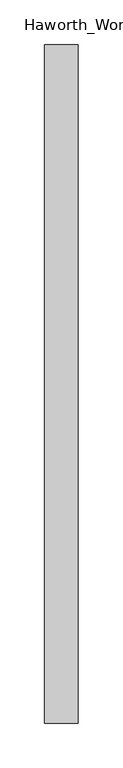
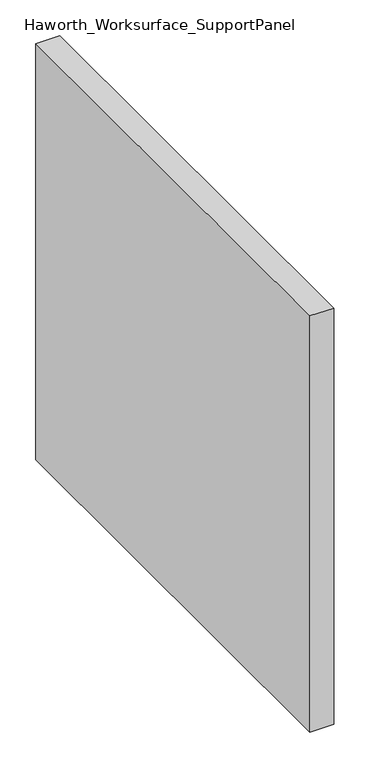
"""IFC4 building model written with IfcOpenShell, lengths in millimetres: furniture geometry, Haworth_Worksurface_SupportPanel."""

from ifc_helpers import new_model, si_unit, origin, origin_with_axes, place, context, project, spatial, polyline, outline, extrude, source, transform, mapped, element, save


def haworth_worksurface_supportpanel_78a54541(model_context):
    return source(origin(), model_context, "Body", "SweptSolid", [
        extrude(outline(polyline([(234.95, -181.2465234), (196.85, -181.2465234), (196.85, 580.7534766), (234.95, 580.7534766), (234.95, -181.2465234)])), origin_with_axes(), (0.0, 0.0, 1.0), 706.4375),
    ])


if __name__ == "__main__":
    model = new_model("IFC4")
    model_context = context("Model", 3, world=origin())
    ifc_project = project(units=[si_unit("LENGTHUNIT", "METRE", prefix="MILLI")], contexts=[model_context])
    site = spatial("IfcSite", under=ifc_project)
    building = spatial("IfcBuilding", under=site)
    placement = place(None, origin())
    haworth_worksurface_supportpanel_shape = haworth_worksurface_supportpanel_78a54541(model_context)
    element("IfcFurniture", 1, ObjectType="Haworth_Worksurface_SupportPanel", at=placement, inside=building, context=model_context, shape_type="MappedRepresentation", body=[
        mapped(haworth_worksurface_supportpanel_shape, transform((0.0, 0.0, 0.0), x_axis=(1.0, 0.0, 0.0), y_axis=(0.0, 1.0, 0.0), z_axis=(0.0, 0.0, 1.0))),
    ])
    save(model, "model.ifc")
